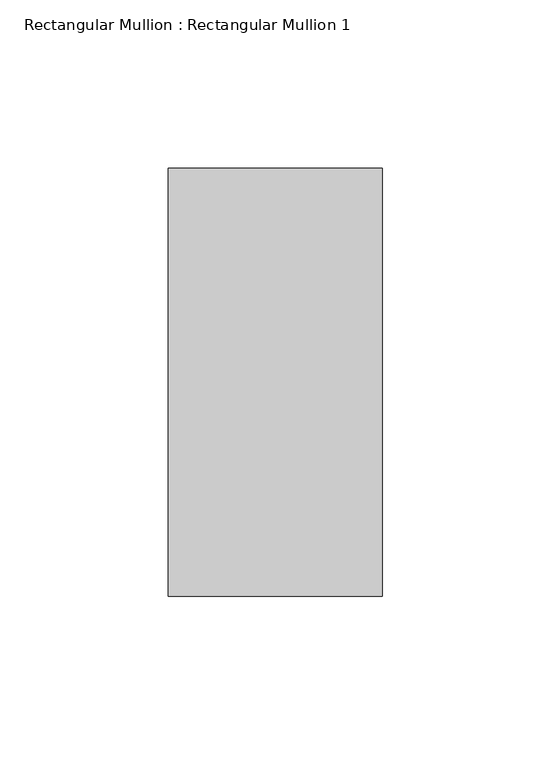
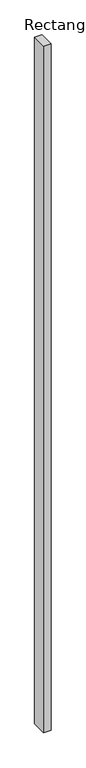
"""IFC4 building model written with IfcOpenShell, lengths in millimetres: member geometry, Rectangular Mullion : Rectangular Mullion 1."""

from ifc_helpers import new_model, si_unit, frame, origin, place, context, project, spatial, polyline, outline, extrude, source, transform, mapped, element, save


def rectangular_mullion_rectangular_mullion_1_8521bc13(model_context):
    return source(origin(), model_context, "Body", "SweptSolid", [
        extrude(outline(polyline([(31.75, 63.5), (31.75, -63.5), (-31.75, -63.5), (-31.75, 63.5), (31.75, 63.5)])), frame((0.0, 0.0, -6096.0), z_axis=(0.0, 0.0, 1.0), x_axis=(1.0, 0.0, 0.0)), (0.0, 0.0, 1.0), 6096.0),
    ])


if __name__ == "__main__":
    model = new_model("IFC4")
    model_context = context("Model", 3, world=origin())
    ifc_project = project(units=[si_unit("LENGTHUNIT", "METRE", prefix="MILLI")], contexts=[model_context])
    site = spatial("IfcSite", under=ifc_project)
    building = spatial("IfcBuilding", under=site)
    placement = place(None, origin())
    rectangular_mullion_rectangular_mullion_1_shape = rectangular_mullion_rectangular_mullion_1_8521bc13(model_context)
    element("IfcMember", 1, ObjectType="Rectangular Mullion : Rectangular Mullion 1", at=placement, inside=building, context=model_context, shape_type="MappedRepresentation", body=[
        mapped(rectangular_mullion_rectangular_mullion_1_shape, transform((0.0, 0.0, 0.0), x_axis=(1.0, 0.0, 0.0), y_axis=(0.0, 1.0, 0.0), z_axis=(0.0, 0.0, 1.0))),
    ])
    save(model, "model.ifc")
